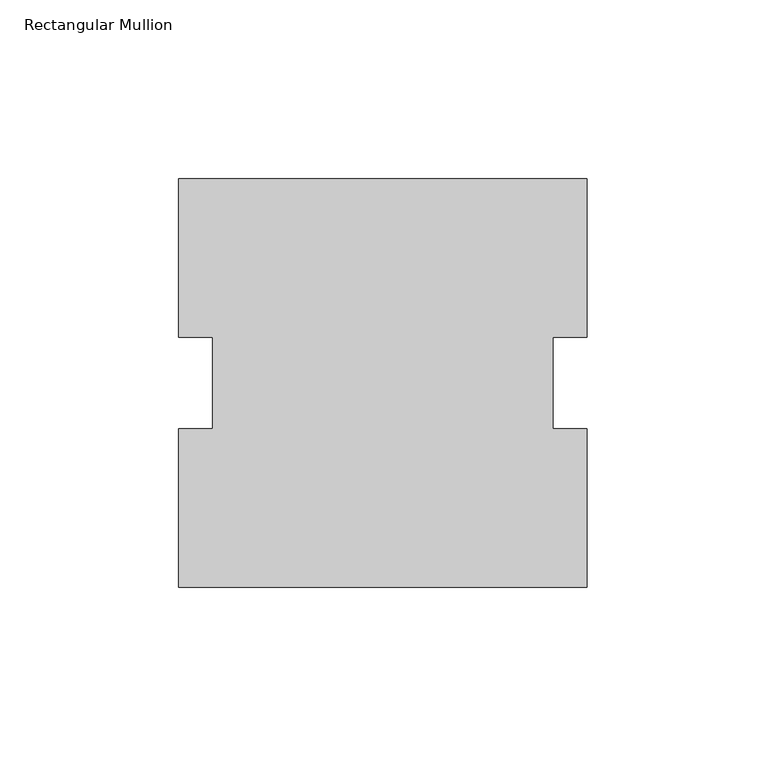
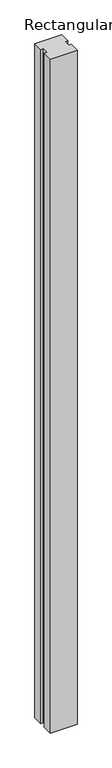
"""IFC4 building model written with IfcOpenShell, lengths in millimetres: member geometry, Rectangular Mullion."""

from ifc_helpers import new_model, si_unit, frame, origin, place, context, project, spatial, polyline, outline, extrude, source, transform, mapped, element, save


def rectangular_mullion_d170e4cd(model_context):
    return source(origin(), model_context, "Body", "SweptSolid", [
        extrude(outline(polyline([(0.0, -54.6164477), (-114.3, -54.6164477), (-114.3, -10.2102968), (-104.775, -10.2102968), (-104.775, 15.2774015), (-114.3, 15.2774015), (-114.3, 59.6835523), (0.0, 59.6835523), (0.0, 15.2774015), (-9.525, 15.2774015), (-9.525, -10.2102968), (0.0, -10.2102968), (0.0, -54.6164477)])), frame((0.0, 0.0, -3048.0), z_axis=(0.0, 0.0, 1.0), x_axis=(1.0, 0.0, 0.0)), (0.0, 0.0, 1.0), 3048.0),
    ])


if __name__ == "__main__":
    model = new_model("IFC4")
    model_context = context("Model", 3, world=origin())
    ifc_project = project(units=[si_unit("LENGTHUNIT", "METRE", prefix="MILLI")], contexts=[model_context])
    site = spatial("IfcSite", under=ifc_project)
    building = spatial("IfcBuilding", under=site)
    placement = place(None, origin())
    rectangular_mullion_shape = rectangular_mullion_d170e4cd(model_context)
    element("IfcMember", 1, ObjectType="Rectangular Mullion", at=placement, inside=building, context=model_context, shape_type="MappedRepresentation", body=[
        mapped(rectangular_mullion_shape, transform((0.0, 0.0, 0.0), x_axis=(1.0, 0.0, 0.0), y_axis=(0.0, 1.0, 0.0), z_axis=(0.0, 0.0, 1.0))),
    ])
    save(model, "model.ifc")
